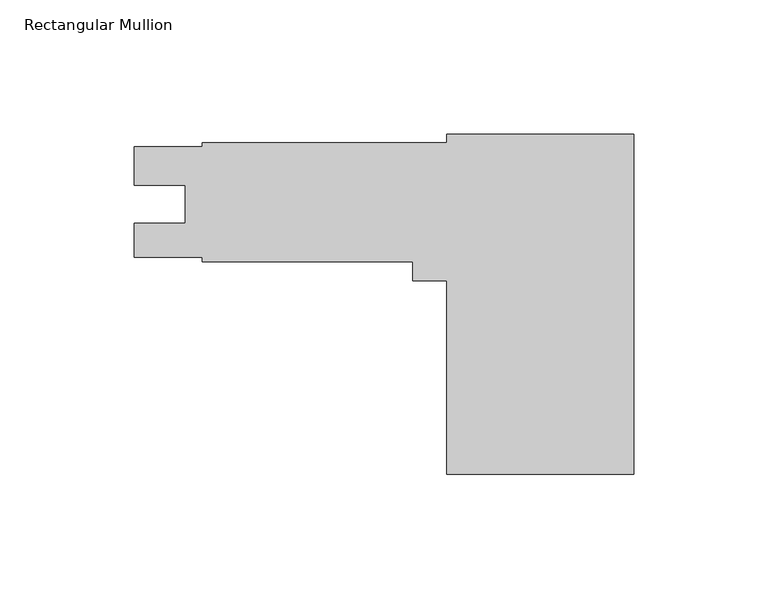
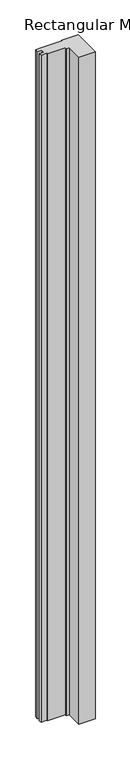
"""IFC4 building model written with IfcOpenShell, lengths in millimetres: member geometry, Rectangular Mullion."""

import ifcopenshell
import ifcopenshell.guid

model = None  # the IFC model being written
_history = None  # IfcOwnerHistory: only IFC2X3 demands one
_inside = {}  # id of a spatial element -> (the spatial element, [elements in it])
_under = {}  # id of a project, library or spatial element -> (it, [spatial elements below it])
_declared = {}  # id of a project -> (the project, [libraries it declares])
_typed = {}  # id of a type object -> (the type object, [elements of that type])
_made_of = {}  # id of a material, layer set ... -> (it, [elements and type objects made of it])


def new_model(schema):
    """Start an empty IFC model of exactly this schema.

    Asked for "IFC4X3", IfcOpenShell would pick the latest addendum, in which some entities
    have other attributes; the version numbers below select the first issue.
    IFC2X3 requires an IfcOwnerHistory on every rooted entity: one is made here for all.
    """
    global model, _history
    if schema == "IFC4X3":
        model = ifcopenshell.file(schema_version=(4, 3, 0, 0))
    else:
        model = ifcopenshell.file(schema=schema)
    _inside.clear()
    _under.clear()
    _declared.clear()
    _typed.clear()
    _made_of.clear()
    _history = None
    if model.schema == "IFC2X3":
        org = make("IfcOrganization", Name="unknown")
        user = make(
            "IfcPersonAndOrganization",
            ThePerson=make("IfcPerson", FamilyName="unknown"),
            TheOrganization=org,
        )
        app = make(
            "IfcApplication",
            ApplicationDeveloper=org,
            Version="unknown",
            ApplicationFullName="unknown",
            ApplicationIdentifier="unknown",
        )
        _history = make(
            "IfcOwnerHistory",
            OwningUser=user,
            OwningApplication=app,
            ChangeAction="ADDED",
            CreationDate=0,
        )
    return model


def make(cls, **values):
    """One entity of the class cls with the attributes given. An attribute that is None is left unset."""
    return model.create_entity(
        cls, **{name: value for name, value in values.items() if value is not None}
    )


def rooted(cls, **values):
    """An entity with a GlobalId (a new one), such as an element, a storey or a relation."""
    return make(cls, GlobalId=ifcopenshell.guid.new(), OwnerHistory=_history, **values)


def si_unit(unit_type, name, prefix=None):
    """IfcSIUnit, for example si_unit("LENGTHUNIT", "METRE", prefix="MILLI")."""
    return make("IfcSIUnit", UnitType=unit_type, Prefix=prefix, Name=name)


def assignment(units):
    """IfcUnitAssignment: the units of a project."""
    return None if units is None else make("IfcUnitAssignment", Units=units)


def point(xyz):
    """IfcCartesianPoint."""
    return None if xyz is None else make("IfcCartesianPoint", Coordinates=xyz)


def direction(xyz):
    """IfcDirection."""
    return None if xyz is None else make("IfcDirection", DirectionRatios=xyz)


def frame(location, z_axis=None, x_axis=None):
    """IfcAxis2Placement3D, a coordinate frame: its origin and axes. An axis left out is left unset."""
    return make(
        "IfcAxis2Placement3D",
        Location=point(location),
        Axis=direction(z_axis),
        RefDirection=direction(x_axis),
    )


def origin():
    """The frame at (0, 0, 0) with its axes left unset."""
    return frame((0.0, 0.0, 0.0))


def place(relative_to, where):
    """IfcLocalPlacement: puts the frame where relative to a parent placement (None: the world)."""
    return make(
        "IfcLocalPlacement", PlacementRelTo=relative_to, RelativePlacement=where
    )


def context(
    kind, dimensions, precision=None, world=None, true_north=None, identifier=None
):
    """IfcGeometricRepresentationContext, for example the 3D "Model" context."""
    return make(
        "IfcGeometricRepresentationContext",
        ContextIdentifier=identifier,
        ContextType=kind,
        CoordinateSpaceDimension=dimensions,
        Precision=precision,
        WorldCoordinateSystem=world,
        TrueNorth=true_north,
    )


def project(units=None, contexts=None):
    """IfcProject with its units and contexts."""
    return rooted(
        "IfcProject",
        Name="project",
        RepresentationContexts=contexts,
        UnitsInContext=assignment(units),
    )


def spatial(cls, under=None, at=None, **own):
    """A site, building, storey or space (cls), placed at a placement, below another one or the project."""
    s = rooted(cls, ObjectPlacement=at, **own)
    if under is not None:
        _under.setdefault(under.id(), (under, []))[1].append(s)
    return s


def polyline(points):
    """IfcPolyline through the points."""
    return make("IfcPolyline", Points=[point(p) for p in points])


def outline(outer, holes=None, kind="AREA"):
    """IfcArbitraryClosedProfileDef: a profile drawn as a closed curve; with holes, ...WithVoids."""
    if holes is None:
        return make("IfcArbitraryClosedProfileDef", ProfileType=kind, OuterCurve=outer)
    return make(
        "IfcArbitraryProfileDefWithVoids",
        ProfileType=kind,
        OuterCurve=outer,
        InnerCurves=holes,
    )


def extrude(swept, where, along, depth):
    """IfcExtrudedAreaSolid: the profile swept, set in the frame where, extruded along a direction by depth."""
    return make(
        "IfcExtrudedAreaSolid",
        SweptArea=swept,
        Position=where,
        ExtrudedDirection=direction(along),
        Depth=depth,
    )


def shape(context_of_items, identifier, shape_type, items):
    """IfcShapeRepresentation: the items that make up one representation, for example the "Body"."""
    return make(
        "IfcShapeRepresentation",
        ContextOfItems=context_of_items,
        RepresentationIdentifier=identifier,
        RepresentationType=shape_type,
        Items=items,
    )


def source(mapping_origin, context_of_items, identifier, shape_type, items):
    """IfcRepresentationMap: a shape defined once, which mapped items show again and again."""
    return make(
        "IfcRepresentationMap",
        MappingOrigin=mapping_origin,
        MappedRepresentation=shape(context_of_items, identifier, shape_type, items),
    )


def transform(
    local_origin,
    x_axis=None,
    y_axis=None,
    z_axis=None,
    scale=None,
    scale2=None,
    scale3=None,
    uniform=True,
):
    """IfcCartesianTransformationOperator3D, or its non-uniform kind. x_axis, y_axis, z_axis: its Axis1, 2, 3."""
    if uniform:
        return make(
            "IfcCartesianTransformationOperator3D",
            Axis1=direction(x_axis),
            Axis2=direction(y_axis),
            LocalOrigin=point(local_origin),
            Scale=scale,
            Axis3=direction(z_axis),
        )
    return make(
        "IfcCartesianTransformationOperator3DnonUniform",
        Axis1=direction(x_axis),
        Axis2=direction(y_axis),
        LocalOrigin=point(local_origin),
        Scale=scale,
        Axis3=direction(z_axis),
        Scale2=scale2,
        Scale3=scale3,
    )


def mapped(mapping_source, mapping_target):
    """IfcMappedItem: shows the shape of a source again, moved by a transform."""
    return make(
        "IfcMappedItem", MappingSource=mapping_source, MappingTarget=mapping_target
    )


def made_of(thing, what):
    """Note that an element or type object is made of a material, layer set ...; save() writes the relation."""
    if what is not None:
        _made_of.setdefault(what.id(), (what, []))[1].append(thing)
    return thing


def element(
    cls,
    number,
    at=None,
    inside=None,
    cuts=None,
    type_object=None,
    material=None,
    context=None,
    identifier="Body",
    shape_type=None,
    held_by="IfcProductDefinitionShape",
    body=None,
    shapes=None,
    **own,
):
    """One element of the class cls, such as IfcWall. Its Tag is "e" and its number.

    at: its placement. inside: the storey or other place that contains it. cuts: it is an
    opening in that element (IfcRelVoidsElement). A single representation is given by context,
    identifier, shape_type and body (its items); several are given by shapes. held_by: the class
    of the entity that holds the representations. save() writes the other relations.
    """
    e = rooted(cls, Tag="e%d" % number, ObjectPlacement=at, **own)
    if body is not None:
        shapes = [shape(context, identifier, shape_type, body)]
    if shapes is not None:
        e.Representation = make(held_by, Representations=shapes)
    if inside is not None:
        _inside.setdefault(inside.id(), (inside, []))[1].append(e)
    if cuts is not None:
        rooted(
            "IfcRelVoidsElement", RelatingBuildingElement=cuts, RelatedOpeningElement=e
        )
    if type_object is not None:
        _typed.setdefault(type_object.id(), (type_object, []))[1].append(e)
    return made_of(e, material)


def aggregate(whole, parts):
    """IfcRelAggregates: a whole, such as a stair, and the parts it consists of."""
    return rooted("IfcRelAggregates", RelatingObject=whole, RelatedObjects=parts)


def save(model, path):
    """Write the relations noted so far, then the file.

    IfcRelAggregates (storeys below a building ...), IfcRelContainedInSpatialStructure (elements
    in a storey), IfcRelDefinesByType, IfcRelAssociatesMaterial and IfcRelDeclares: one each for
    every whole, place, type object, material and project.
    """
    for whole, parts in _under.values():
        aggregate(whole, parts)
    for where, things in _inside.values():
        rooted(
            "IfcRelContainedInSpatialStructure",
            RelatedElements=things,
            RelatingStructure=where,
        )
    for kind, things in _typed.values():
        rooted("IfcRelDefinesByType", RelatedObjects=things, RelatingType=kind)
    for what, things in _made_of.values():
        rooted("IfcRelAssociatesMaterial", RelatedObjects=things, RelatingMaterial=what)
    for by, libraries in _declared.values():
        rooted("IfcRelDeclares", RelatingContext=by, RelatedDefinitions=libraries)
    model.write(path)


def rectangular_mullion_eebed618(model_context):
    return source(origin(), model_context, "Body", "SweptSolid", [
        extrude(outline(polyline([(0.0, -63.4111), (-69.85, -63.4111), (-69.85, 8.801227), (-82.55, 8.801227), (-82.55, 15.9639), (-161.13125, 15.9639), (-161.13125, 17.5641), (-186.53125, 17.5641), (-186.53125, 30.2768), (-167.4939509, 30.2768), (-167.4939509, 44.5643), (-186.53125, 44.5643), (-186.53125, 58.8263837), (-161.13125, 58.8263837), (-161.13125, 60.4139), (-69.85, 60.4139), (-69.85, 63.5889), (0.0, 63.5889), (0.0, -63.4111)])), frame((0.0, 0.0, -3048.0), z_axis=(0.0, 0.0, 1.0), x_axis=(1.0, 0.0, 0.0)), (0.0, 0.0, 1.0), 3048.0),
    ])


if __name__ == "__main__":
    model = new_model("IFC4")
    model_context = context("Model", 3, world=origin())
    ifc_project = project(units=[si_unit("LENGTHUNIT", "METRE", prefix="MILLI")], contexts=[model_context])
    site = spatial("IfcSite", under=ifc_project)
    building = spatial("IfcBuilding", under=site)
    placement = place(None, origin())
    rectangular_mullion_shape = rectangular_mullion_eebed618(model_context)
    element("IfcMember", 1, ObjectType="Rectangular Mullion", at=placement, inside=building, context=model_context, shape_type="MappedRepresentation", body=[
        mapped(rectangular_mullion_shape, transform((0.0, 0.0, 0.0), x_axis=(1.0, 0.0, 0.0), y_axis=(0.0, 1.0, 0.0), z_axis=(0.0, 0.0, 1.0))),
    ])
    save(model, "model.ifc")
